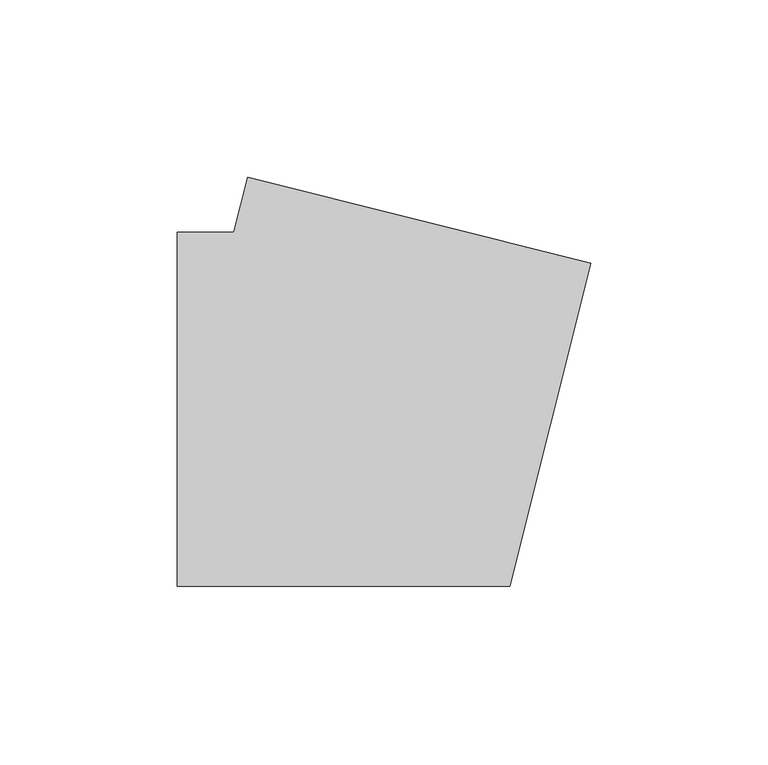
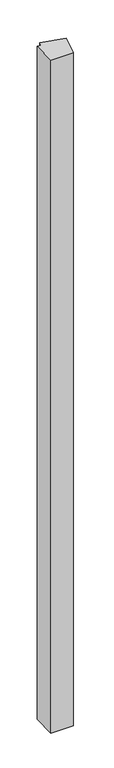
"""IFC4 building model written with IfcOpenShell, lengths in millimetres: member geometry."""

from ifc_helpers import new_model, si_unit, frame, origin, place, context, project, spatial, polyline, outline, extrude, source, transform, mapped, element, save


def member_ebff5113(model_context):
    return source(origin(), model_context, "Body", "SweptSolid", [
        extrude(outline(polyline([(61.9007176, 41.1497407), (38.9859628, -50.0), (-55.0, -50.0), (-55.0, 50.0), (-38.9859628, 50.0), (-35.0815741, 65.5307802), (61.9007176, 41.1497407)])), frame((0.0, 0.0, -2966.9289604), z_axis=(0.0, 0.0, 1.0), x_axis=(1.0, 0.0, 0.0)), (0.0, 0.0, 1.0), 2966.9289604),
    ])


if __name__ == "__main__":
    model = new_model("IFC4")
    model_context = context("Model", 3, world=origin())
    ifc_project = project(units=[si_unit("LENGTHUNIT", "METRE", prefix="MILLI")], contexts=[model_context])
    site = spatial("IfcSite", under=ifc_project)
    building = spatial("IfcBuilding", under=site)
    placement = place(None, origin())
    member_shape = member_ebff5113(model_context)
    element("IfcMember", 1, at=placement, inside=building, context=model_context, shape_type="MappedRepresentation", body=[
        mapped(member_shape, transform((0.0, 0.0, 0.0), x_axis=(1.0, 0.0, 0.0), y_axis=(0.0, 1.0, 0.0), z_axis=(0.0, 0.0, 1.0))),
    ])
    save(model, "model.ifc")
